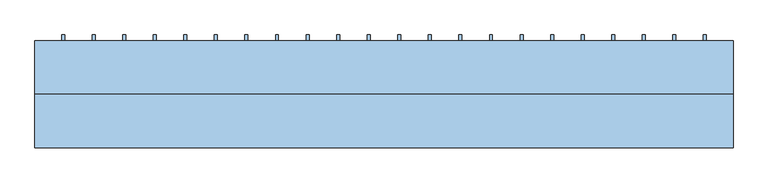
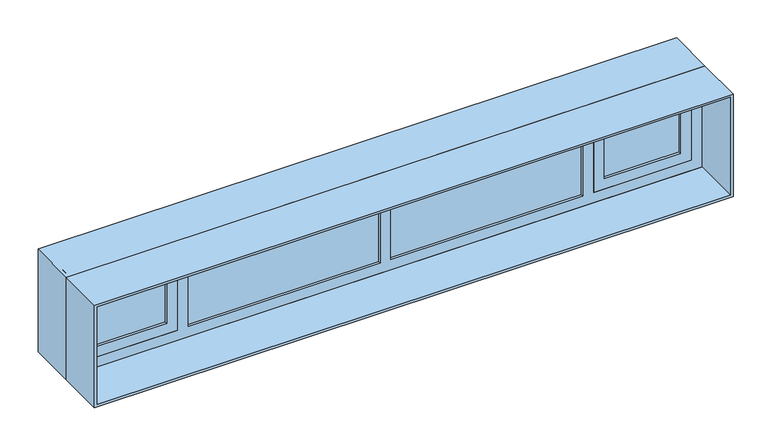
"""IFC4 building model written with IfcOpenShell, lengths in millimetres: window geometry."""

from ifc_helpers import new_model, si_unit, frame, origin, place, context, project, spatial, polyline, outline, extrude, source, transform, mapped, element, save


def window_54f89f2a(model_context):
    return source(origin(), model_context, "Body", "SweptSolid", [
        extrude(outline(polyline([(1630.2272727, 424.65), (1630.2272727, 275.35), (1615.2272727, 275.35), (1615.2272727, 424.65), (1630.2272727, 424.65)])), frame((0.0, 0.0, 915.0), z_axis=(0.0, 0.0, 1.0), x_axis=(1.0, 0.0, 0.0)), (0.0, 0.0, 1.0), 420.0),
        extrude(outline(polyline([(1475.6818182, 424.65), (1475.6818182, 275.35), (1460.6818182, 275.35), (1460.6818182, 424.65), (1475.6818182, 424.65)])), frame((0.0, 0.0, 915.0), z_axis=(0.0, 0.0, 1.0), x_axis=(1.0, 0.0, 0.0)), (0.0, 0.0, 1.0), 420.0),
        extrude(outline(polyline([(1321.1363636, 424.65), (1321.1363636, 275.35), (1306.1363636, 275.35), (1306.1363636, 424.65), (1321.1363636, 424.65)])), frame((0.0, 0.0, 915.0), z_axis=(0.0, 0.0, 1.0), x_axis=(1.0, 0.0, 0.0)), (0.0, 0.0, 1.0), 420.0),
        extrude(outline(polyline([(1166.5909091, 424.65), (1166.5909091, 275.35), (1151.5909091, 275.35), (1151.5909091, 424.65), (1166.5909091, 424.65)])), frame((0.0, 0.0, 915.0), z_axis=(0.0, 0.0, 1.0), x_axis=(1.0, 0.0, 0.0)), (0.0, 0.0, 1.0), 420.0),
        extrude(outline(polyline([(1012.0454545, 424.65), (1012.0454545, 275.35), (997.0454545, 275.35), (997.0454545, 424.65), (1012.0454545, 424.65)])), frame((0.0, 0.0, 915.0), z_axis=(0.0, 0.0, 1.0), x_axis=(1.0, 0.0, 0.0)), (0.0, 0.0, 1.0), 420.0),
        extrude(outline(polyline([(857.5, 424.65), (857.5, 275.35), (842.5, 275.35), (842.5, 424.65), (857.5, 424.65)])), frame((0.0, 0.0, 915.0), z_axis=(0.0, 0.0, 1.0), x_axis=(1.0, 0.0, 0.0)), (0.0, 0.0, 1.0), 420.0),
        extrude(outline(polyline([(702.9545455, 424.65), (702.9545455, 275.35), (687.9545455, 275.35), (687.9545455, 424.65), (702.9545455, 424.65)])), frame((0.0, 0.0, 915.0), z_axis=(0.0, 0.0, 1.0), x_axis=(1.0, 0.0, 0.0)), (0.0, 0.0, 1.0), 420.0),
        extrude(outline(polyline([(548.4090909, 424.65), (548.4090909, 275.35), (533.4090909, 275.35), (533.4090909, 424.65), (548.4090909, 424.65)])), frame((0.0, 0.0, 915.0), z_axis=(0.0, 0.0, 1.0), x_axis=(1.0, 0.0, 0.0)), (0.0, 0.0, 1.0), 420.0),
        extrude(outline(polyline([(393.8636364, 424.65), (393.8636364, 275.35), (378.8636364, 275.35), (378.8636364, 424.65), (393.8636364, 424.65)])), frame((0.0, 0.0, 915.0), z_axis=(0.0, 0.0, 1.0), x_axis=(1.0, 0.0, 0.0)), (0.0, 0.0, 1.0), 420.0),
        extrude(outline(polyline([(239.3181818, 424.65), (239.3181818, 275.35), (224.3181818, 275.35), (224.3181818, 424.65), (239.3181818, 424.65)])), frame((0.0, 0.0, 915.0), z_axis=(0.0, 0.0, 1.0), x_axis=(1.0, 0.0, 0.0)), (0.0, 0.0, 1.0), 420.0),
        extrude(outline(polyline([(84.7727273, 424.65), (84.7727273, 275.35), (69.7727273, 275.35), (69.7727273, 424.65), (84.7727273, 424.65)])), frame((0.0, 0.0, 915.0), z_axis=(0.0, 0.0, 1.0), x_axis=(1.0, 0.0, 0.0)), (0.0, 0.0, 1.0), 420.0),
        extrude(outline(polyline([(-69.7727273, 424.65), (-69.7727273, 275.35), (-84.7727273, 275.35), (-84.7727273, 424.65), (-69.7727273, 424.65)])), frame((0.0, 0.0, 915.0), z_axis=(0.0, 0.0, 1.0), x_axis=(1.0, 0.0, 0.0)), (0.0, 0.0, 1.0), 420.0),
        extrude(outline(polyline([(-224.3181818, 424.65), (-224.3181818, 275.35), (-239.3181818, 275.35), (-239.3181818, 424.65), (-224.3181818, 424.65)])), frame((0.0, 0.0, 915.0), z_axis=(0.0, 0.0, 1.0), x_axis=(1.0, 0.0, 0.0)), (0.0, 0.0, 1.0), 420.0),
        extrude(outline(polyline([(-378.8636364, 424.65), (-378.8636364, 275.35), (-393.8636364, 275.35), (-393.8636364, 424.65), (-378.8636364, 424.65)])), frame((0.0, 0.0, 915.0), z_axis=(0.0, 0.0, 1.0), x_axis=(1.0, 0.0, 0.0)), (0.0, 0.0, 1.0), 420.0),
        extrude(outline(polyline([(-533.4090909, 424.65), (-533.4090909, 275.35), (-548.4090909, 275.35), (-548.4090909, 424.65), (-533.4090909, 424.65)])), frame((0.0, 0.0, 915.0), z_axis=(0.0, 0.0, 1.0), x_axis=(1.0, 0.0, 0.0)), (0.0, 0.0, 1.0), 420.0),
        extrude(outline(polyline([(-687.9545455, 424.65), (-687.9545455, 275.35), (-702.9545455, 275.35), (-702.9545455, 424.65), (-687.9545455, 424.65)])), frame((0.0, 0.0, 915.0), z_axis=(0.0, 0.0, 1.0), x_axis=(1.0, 0.0, 0.0)), (0.0, 0.0, 1.0), 420.0),
        extrude(outline(polyline([(-842.5, 424.65), (-842.5, 275.35), (-857.5, 275.35), (-857.5, 424.65), (-842.5, 424.65)])), frame((0.0, 0.0, 915.0), z_axis=(0.0, 0.0, 1.0), x_axis=(1.0, 0.0, 0.0)), (0.0, 0.0, 1.0), 420.0),
        extrude(outline(polyline([(-997.0454545, 424.65), (-997.0454545, 275.35), (-1012.0454545, 275.35), (-1012.0454545, 424.65), (-997.0454545, 424.65)])), frame((0.0, 0.0, 915.0), z_axis=(0.0, 0.0, 1.0), x_axis=(1.0, 0.0, 0.0)), (0.0, 0.0, 1.0), 420.0),
        extrude(outline(polyline([(-1151.5909091, 424.65), (-1151.5909091, 275.35), (-1166.5909091, 275.35), (-1166.5909091, 424.65), (-1151.5909091, 424.65)])), frame((0.0, 0.0, 915.0), z_axis=(0.0, 0.0, 1.0), x_axis=(1.0, 0.0, 0.0)), (0.0, 0.0, 1.0), 420.0),
        extrude(outline(polyline([(-1306.1363636, 424.65), (-1306.1363636, 275.35), (-1321.1363636, 275.35), (-1321.1363636, 424.65), (-1306.1363636, 424.65)])), frame((0.0, 0.0, 915.0), z_axis=(0.0, 0.0, 1.0), x_axis=(1.0, 0.0, 0.0)), (0.0, 0.0, 1.0), 420.0),
        extrude(outline(polyline([(-1460.6818182, 424.65), (-1460.6818182, 275.35), (-1475.6818182, 275.35), (-1475.6818182, 424.65), (-1460.6818182, 424.65)])), frame((0.0, 0.0, 915.0), z_axis=(0.0, 0.0, 1.0), x_axis=(1.0, 0.0, 0.0)), (0.0, 0.0, 1.0), 420.0),
        extrude(outline(polyline([(-1615.2272727, 424.65), (-1615.2272727, 275.35), (-1630.2272727, 275.35), (-1630.2272727, 424.65), (-1615.2272727, 424.65)])), frame((0.0, 0.0, 915.0), z_axis=(0.0, 0.0, 1.0), x_axis=(1.0, 0.0, 0.0)), (0.0, 0.0, 1.0), 420.0),
        extrude(outline(polyline([(-950.0, 325.0), (-1000.0, 325.0), (-1000.0, 375.0), (-950.0, 375.0), (-950.0, 325.0)])), frame((0.0, 0.0, 815.0), z_axis=(0.0, 0.0, 1.0), x_axis=(1.0, 0.0, 0.0)), (0.0, 0.0, 1.0), 50.0),
        extrude(outline(polyline([(1000.0, 325.0), (950.0, 325.0), (950.0, 375.0), (1000.0, 375.0), (1000.0, 325.0)])), frame((0.0, 0.0, 815.0), z_axis=(0.0, 0.0, 1.0), x_axis=(1.0, 0.0, 0.0)), (0.0, 0.0, 1.0), 50.0),
        extrude(outline(polyline([(1385.0, 1750.0), (1385.0, -1750.0), (865.0, -1750.0), (865.0, 1750.0), (1385.0, 1750.0)]), holes=[polyline([(1335.0, 1700.0), (915.0, 1700.0), (915.0, -1700.0), (1335.0, -1700.0), (1335.0, 1700.0)])]), frame((0.0, 325.0, 0.0), z_axis=(0.0, 1.0, 0.0), x_axis=(0.0, 0.0, 1.0)), (0.0, 0.0, 1.0), 50.0),
        extrude(outline(polyline([(1697.3772727, 357.5), (1697.3772727, 342.5), (1548.0772727, 342.5), (1548.0772727, 357.5), (1697.3772727, 357.5)])), frame((0.0, 0.0, 915.0), z_axis=(0.0, 0.0, 1.0), x_axis=(1.0, 0.0, 0.0)), (0.0, 0.0, 1.0), 420.0),
        extrude(outline(polyline([(1542.8318182, 357.5), (1542.8318182, 342.5), (1393.5318182, 342.5), (1393.5318182, 357.5), (1542.8318182, 357.5)])), frame((0.0, 0.0, 915.0), z_axis=(0.0, 0.0, 1.0), x_axis=(1.0, 0.0, 0.0)), (0.0, 0.0, 1.0), 420.0),
        extrude(outline(polyline([(1388.2863636, 357.5), (1388.2863636, 342.5), (1238.9863636, 342.5), (1238.9863636, 357.5), (1388.2863636, 357.5)])), frame((0.0, 0.0, 915.0), z_axis=(0.0, 0.0, 1.0), x_axis=(1.0, 0.0, 0.0)), (0.0, 0.0, 1.0), 420.0),
        extrude(outline(polyline([(1233.7409091, 357.5), (1233.7409091, 342.5), (1084.4409091, 342.5), (1084.4409091, 357.5), (1233.7409091, 357.5)])), frame((0.0, 0.0, 915.0), z_axis=(0.0, 0.0, 1.0), x_axis=(1.0, 0.0, 0.0)), (0.0, 0.0, 1.0), 420.0),
        extrude(outline(polyline([(1079.1954545, 357.5), (1079.1954545, 342.5), (929.8954545, 342.5), (929.8954545, 357.5), (1079.1954545, 357.5)])), frame((0.0, 0.0, 915.0), z_axis=(0.0, 0.0, 1.0), x_axis=(1.0, 0.0, 0.0)), (0.0, 0.0, 1.0), 420.0),
        extrude(outline(polyline([(924.65, 357.5), (924.65, 342.5), (775.35, 342.5), (775.35, 357.5), (924.65, 357.5)])), frame((0.0, 0.0, 915.0), z_axis=(0.0, 0.0, 1.0), x_axis=(1.0, 0.0, 0.0)), (0.0, 0.0, 1.0), 420.0),
        extrude(outline(polyline([(770.1045455, 357.5), (770.1045455, 342.5), (620.8045455, 342.5), (620.8045455, 357.5), (770.1045455, 357.5)])), frame((0.0, 0.0, 915.0), z_axis=(0.0, 0.0, 1.0), x_axis=(1.0, 0.0, 0.0)), (0.0, 0.0, 1.0), 420.0),
        extrude(outline(polyline([(615.5590909, 357.5), (615.5590909, 342.5), (466.2590909, 342.5), (466.2590909, 357.5), (615.5590909, 357.5)])), frame((0.0, 0.0, 915.0), z_axis=(0.0, 0.0, 1.0), x_axis=(1.0, 0.0, 0.0)), (0.0, 0.0, 1.0), 420.0),
        extrude(outline(polyline([(461.0136364, 357.5), (461.0136364, 342.5), (311.7136364, 342.5), (311.7136364, 357.5), (461.0136364, 357.5)])), frame((0.0, 0.0, 915.0), z_axis=(0.0, 0.0, 1.0), x_axis=(1.0, 0.0, 0.0)), (0.0, 0.0, 1.0), 420.0),
        extrude(outline(polyline([(306.4681818, 357.5), (306.4681818, 342.5), (157.1681818, 342.5), (157.1681818, 357.5), (306.4681818, 357.5)])), frame((0.0, 0.0, 915.0), z_axis=(0.0, 0.0, 1.0), x_axis=(1.0, 0.0, 0.0)), (0.0, 0.0, 1.0), 420.0),
        extrude(outline(polyline([(151.9227273, 357.5), (151.9227273, 342.5), (2.6227273, 342.5), (2.6227273, 357.5), (151.9227273, 357.5)])), frame((0.0, 0.0, 915.0), z_axis=(0.0, 0.0, 1.0), x_axis=(1.0, 0.0, 0.0)), (0.0, 0.0, 1.0), 420.0),
        extrude(outline(polyline([(-2.6227273, 357.5), (-2.6227273, 342.5), (-151.9227273, 342.5), (-151.9227273, 357.5), (-2.6227273, 357.5)])), frame((0.0, 0.0, 915.0), z_axis=(0.0, 0.0, 1.0), x_axis=(1.0, 0.0, 0.0)), (0.0, 0.0, 1.0), 420.0),
        extrude(outline(polyline([(-157.1681818, 357.5), (-157.1681818, 342.5), (-306.4681818, 342.5), (-306.4681818, 357.5), (-157.1681818, 357.5)])), frame((0.0, 0.0, 915.0), z_axis=(0.0, 0.0, 1.0), x_axis=(1.0, 0.0, 0.0)), (0.0, 0.0, 1.0), 420.0),
        extrude(outline(polyline([(-311.7136364, 357.5), (-311.7136364, 342.5), (-461.0136364, 342.5), (-461.0136364, 357.5), (-311.7136364, 357.5)])), frame((0.0, 0.0, 915.0), z_axis=(0.0, 0.0, 1.0), x_axis=(1.0, 0.0, 0.0)), (0.0, 0.0, 1.0), 420.0),
        extrude(outline(polyline([(-466.2590909, 357.5), (-466.2590909, 342.5), (-615.5590909, 342.5), (-615.5590909, 357.5), (-466.2590909, 357.5)])), frame((0.0, 0.0, 915.0), z_axis=(0.0, 0.0, 1.0), x_axis=(1.0, 0.0, 0.0)), (0.0, 0.0, 1.0), 420.0),
        extrude(outline(polyline([(-620.8045455, 357.5), (-620.8045455, 342.5), (-770.1045455, 342.5), (-770.1045455, 357.5), (-620.8045455, 357.5)])), frame((0.0, 0.0, 915.0), z_axis=(0.0, 0.0, 1.0), x_axis=(1.0, 0.0, 0.0)), (0.0, 0.0, 1.0), 420.0),
        extrude(outline(polyline([(-775.35, 357.5), (-775.35, 342.5), (-924.65, 342.5), (-924.65, 357.5), (-775.35, 357.5)])), frame((0.0, 0.0, 915.0), z_axis=(0.0, 0.0, 1.0), x_axis=(1.0, 0.0, 0.0)), (0.0, 0.0, 1.0), 420.0),
        extrude(outline(polyline([(-929.8954545, 357.5), (-929.8954545, 342.5), (-1079.1954545, 342.5), (-1079.1954545, 357.5), (-929.8954545, 357.5)])), frame((0.0, 0.0, 915.0), z_axis=(0.0, 0.0, 1.0), x_axis=(1.0, 0.0, 0.0)), (0.0, 0.0, 1.0), 420.0),
        extrude(outline(polyline([(-1084.4409091, 357.5), (-1084.4409091, 342.5), (-1233.7409091, 342.5), (-1233.7409091, 357.5), (-1084.4409091, 357.5)])), frame((0.0, 0.0, 915.0), z_axis=(0.0, 0.0, 1.0), x_axis=(1.0, 0.0, 0.0)), (0.0, 0.0, 1.0), 420.0),
        extrude(outline(polyline([(-1238.9863636, 357.5), (-1238.9863636, 342.5), (-1388.2863636, 342.5), (-1388.2863636, 357.5), (-1238.9863636, 357.5)])), frame((0.0, 0.0, 915.0), z_axis=(0.0, 0.0, 1.0), x_axis=(1.0, 0.0, 0.0)), (0.0, 0.0, 1.0), 420.0),
        extrude(outline(polyline([(-1393.5318182, 357.5), (-1393.5318182, 342.5), (-1542.8318182, 342.5), (-1542.8318182, 357.5), (-1393.5318182, 357.5)])), frame((0.0, 0.0, 915.0), z_axis=(0.0, 0.0, 1.0), x_axis=(1.0, 0.0, 0.0)), (0.0, 0.0, 1.0), 420.0),
        extrude(outline(polyline([(-1548.0772727, 357.5), (-1548.0772727, 342.5), (-1697.3772727, 342.5), (-1697.3772727, 357.5), (-1548.0772727, 357.5)])), frame((0.0, 0.0, 915.0), z_axis=(0.0, 0.0, 1.0), x_axis=(1.0, 0.0, 0.0)), (0.0, 0.0, 1.0), 420.0),
        extrude(outline(polyline([(-950.0, 325.0), (-1000.0, 325.0), (-1000.0, 375.0), (-950.0, 375.0), (-950.0, 325.0)])), frame((0.0, 0.0, 815.0), z_axis=(0.0, 0.0, 1.0), x_axis=(1.0, 0.0, 0.0)), (0.0, 0.0, 1.0), 50.0),
        extrude(outline(polyline([(1000.0, 325.0), (950.0, 325.0), (950.0, 375.0), (1000.0, 375.0), (1000.0, 325.0)])), frame((0.0, 0.0, 815.0), z_axis=(0.0, 0.0, 1.0), x_axis=(1.0, 0.0, 0.0)), (0.0, 0.0, 1.0), 50.0),
        extrude(outline(polyline([(1385.0, 1750.0), (1385.0, -1750.0), (865.0, -1750.0), (865.0, 1750.0), (1385.0, 1750.0)]), holes=[polyline([(1335.0, 1700.0), (915.0, 1700.0), (915.0, -1700.0), (1335.0, -1700.0), (1335.0, 1700.0)])]), frame((0.0, 325.0, 0.0), z_axis=(0.0, 1.0, 0.0), x_axis=(0.0, 0.0, 1.0)), (0.0, 0.0, 1.0), 50.0),
        extrude(outline(polyline([(1325.0, 1690.0), (1325.0, 1150.0), (875.0, 1150.0), (875.0, 1690.0), (1325.0, 1690.0)]), holes=[polyline([(1265.0, 1630.0), (935.0, 1630.0), (935.0, 1210.0), (1265.0, 1210.0), (1265.0, 1630.0)])]), frame((0.0, 125.0, 0.0), z_axis=(0.0, 1.0, 0.0), x_axis=(0.0, 0.0, 1.0)), (0.0, 0.0, 1.0), 60.0),
        extrude(outline(polyline([(1325.0, -1150.0), (1325.0, -1690.0), (875.0, -1690.0), (875.0, -1150.0), (1325.0, -1150.0)]), holes=[polyline([(1265.0, -1210.0), (935.0, -1210.0), (935.0, -1630.0), (1265.0, -1630.0), (1265.0, -1210.0)])]), frame((0.0, 125.0, 0.0), z_axis=(0.0, 1.0, 0.0), x_axis=(0.0, 0.0, 1.0)), (0.0, 0.0, 1.0), 60.0),
        extrude(outline(polyline([(1400.0, 1765.0), (1400.0, -1765.0), (800.0, -1765.0), (800.0, 1765.0), (1400.0, 1765.0)]), holes=[polyline([(815.0, 1750.0), (815.0, -1750.0), (1385.0, -1750.0), (1385.0, 1750.0), (815.0, 1750.0)])]), frame((0.0, -145.0, 0.0), z_axis=(0.0, 1.0, 0.0), x_axis=(0.0, 0.0, 1.0)), (0.0, 0.0, 1.0), 270.0),
        extrude(outline(polyline([(1400.0, -1765.0), (800.0, -1765.0), (800.0, 1765.0), (1400.0, 1765.0), (1400.0, -1765.0)]), holes=[polyline([(815.0, 1750.0), (815.0, -1750.0), (1385.0, -1750.0), (1385.0, 1750.0), (815.0, 1750.0)])]), frame((0.0, 125.0, 0.0), z_axis=(0.0, 1.0, 0.0), x_axis=(0.0, 0.0, 1.0)), (0.0, 0.0, 1.0), 270.0),
        extrude(outline(polyline([(1630.0, 140.0), (1210.0, 140.0), (1210.0, 170.0), (1630.0, 170.0), (1630.0, 140.0)])), frame((0.0, 0.0, 935.0), z_axis=(0.0, 0.0, 1.0), x_axis=(1.0, 0.0, 0.0)), (0.0, 0.0, 1.0), 330.0),
        extrude(outline(polyline([(-1210.0, 140.0), (-1630.0, 140.0), (-1630.0, 170.0), (-1210.0, 170.0), (-1210.0, 140.0)])), frame((0.0, 0.0, 935.0), z_axis=(0.0, 0.0, 1.0), x_axis=(1.0, 0.0, 0.0)), (0.0, 0.0, 1.0), 330.0),
        extrude(outline(polyline([(1090.0, 140.0), (30.0, 140.0), (30.0, 170.0), (1090.0, 170.0), (1090.0, 140.0)])), frame((0.0, 0.0, 875.0), z_axis=(0.0, 0.0, 1.0), x_axis=(1.0, 0.0, 0.0)), (0.0, 0.0, 1.0), 450.0),
        extrude(outline(polyline([(-30.0, 140.0), (-1090.0, 140.0), (-1090.0, 170.0), (-30.0, 170.0), (-30.0, 140.0)])), frame((0.0, 0.0, 875.0), z_axis=(0.0, 0.0, 1.0), x_axis=(1.0, 0.0, 0.0)), (0.0, 0.0, 1.0), 450.0),
        extrude(outline(polyline([(1400.0, -1750.0), (800.0, -1750.0), (800.0, 1750.0), (1400.0, 1750.0), (1400.0, -1750.0)]), holes=[polyline([(875.0, -30.0), (875.0, -1090.0), (1325.0, -1090.0), (1325.0, -30.0), (875.0, -30.0)]), polyline([(1325.0, 1150.0), (1325.0, 1690.0), (875.0, 1690.0), (875.0, 1150.0), (1325.0, 1150.0)]), polyline([(1325.0, 30.0), (1325.0, 1090.0), (875.0, 1090.0), (875.0, 30.0), (1325.0, 30.0)]), polyline([(1325.0, -1690.0), (1325.0, -1150.0), (875.0, -1150.0), (875.0, -1690.0), (1325.0, -1690.0)])]), frame((0.0, 125.0, 0.0), z_axis=(0.0, 1.0, 0.0), x_axis=(0.0, 0.0, 1.0)), (0.0, 0.0, 1.0), 60.0),
    ])


if __name__ == "__main__":
    model = new_model("IFC4")
    model_context = context("Model", 3, world=origin())
    ifc_project = project(units=[si_unit("LENGTHUNIT", "METRE", prefix="MILLI")], contexts=[model_context])
    site = spatial("IfcSite", under=ifc_project)
    building = spatial("IfcBuilding", under=site)
    placement = place(None, origin())
    window_shape = window_54f89f2a(model_context)
    element("IfcWindow", 1, at=placement, inside=building, context=model_context, shape_type="MappedRepresentation", body=[
        mapped(window_shape, transform((0.0, 0.0, 0.0), x_axis=(1.0, 0.0, 0.0), y_axis=(0.0, 1.0, 0.0), z_axis=(0.0, 0.0, 1.0))),
    ])
    save(model, "model.ifc")
